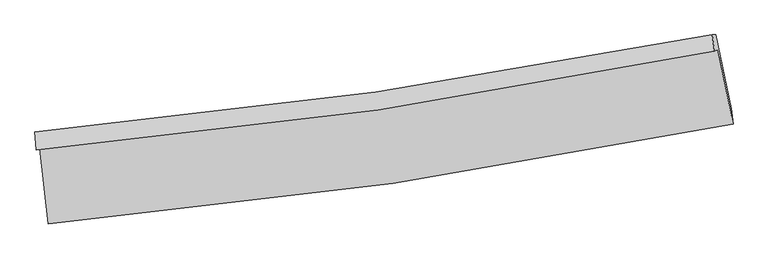
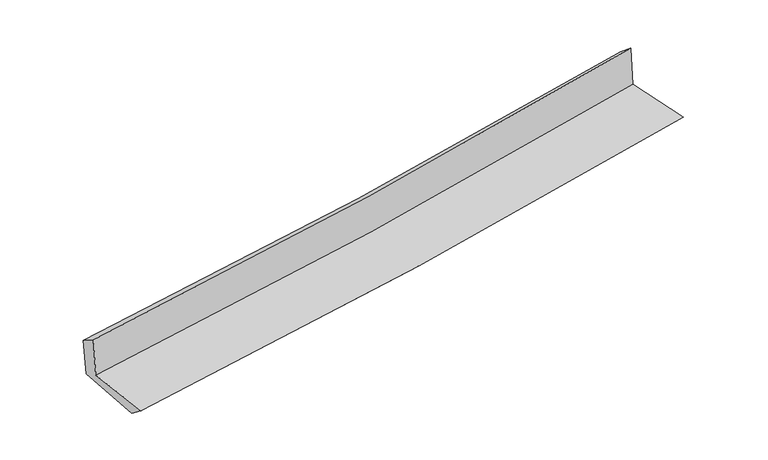
"""IFC4 building model written with IfcOpenShell, lengths in millimetres: proxy geometry."""

import ifcopenshell
import ifcopenshell.guid

model = None  # the IFC model being written
_history = None  # IfcOwnerHistory: only IFC2X3 demands one
_inside = {}  # id of a spatial element -> (the spatial element, [elements in it])
_under = {}  # id of a project, library or spatial element -> (it, [spatial elements below it])
_declared = {}  # id of a project -> (the project, [libraries it declares])
_typed = {}  # id of a type object -> (the type object, [elements of that type])
_made_of = {}  # id of a material, layer set ... -> (it, [elements and type objects made of it])


def new_model(schema):
    """Start an empty IFC model of exactly this schema.

    Asked for "IFC4X3", IfcOpenShell would pick the latest addendum, in which some entities
    have other attributes; the version numbers below select the first issue.
    IFC2X3 requires an IfcOwnerHistory on every rooted entity: one is made here for all.
    """
    global model, _history
    if schema == "IFC4X3":
        model = ifcopenshell.file(schema_version=(4, 3, 0, 0))
    else:
        model = ifcopenshell.file(schema=schema)
    _inside.clear()
    _under.clear()
    _declared.clear()
    _typed.clear()
    _made_of.clear()
    _history = None
    if model.schema == "IFC2X3":
        org = make("IfcOrganization", Name="unknown")
        user = make(
            "IfcPersonAndOrganization",
            ThePerson=make("IfcPerson", FamilyName="unknown"),
            TheOrganization=org,
        )
        app = make(
            "IfcApplication",
            ApplicationDeveloper=org,
            Version="unknown",
            ApplicationFullName="unknown",
            ApplicationIdentifier="unknown",
        )
        _history = make(
            "IfcOwnerHistory",
            OwningUser=user,
            OwningApplication=app,
            ChangeAction="ADDED",
            CreationDate=0,
        )
    return model


def make(cls, **values):
    """One entity of the class cls with the attributes given. An attribute that is None is left unset."""
    return model.create_entity(
        cls, **{name: value for name, value in values.items() if value is not None}
    )


def rooted(cls, **values):
    """An entity with a GlobalId (a new one), such as an element, a storey or a relation."""
    return make(cls, GlobalId=ifcopenshell.guid.new(), OwnerHistory=_history, **values)


def si_unit(unit_type, name, prefix=None):
    """IfcSIUnit, for example si_unit("LENGTHUNIT", "METRE", prefix="MILLI")."""
    return make("IfcSIUnit", UnitType=unit_type, Prefix=prefix, Name=name)


def assignment(units):
    """IfcUnitAssignment: the units of a project."""
    return None if units is None else make("IfcUnitAssignment", Units=units)


def point(xyz):
    """IfcCartesianPoint."""
    return None if xyz is None else make("IfcCartesianPoint", Coordinates=xyz)


def direction(xyz):
    """IfcDirection."""
    return None if xyz is None else make("IfcDirection", DirectionRatios=xyz)


def frame(location, z_axis=None, x_axis=None):
    """IfcAxis2Placement3D, a coordinate frame: its origin and axes. An axis left out is left unset."""
    return make(
        "IfcAxis2Placement3D",
        Location=point(location),
        Axis=direction(z_axis),
        RefDirection=direction(x_axis),
    )


def origin():
    """The frame at (0, 0, 0) with its axes left unset."""
    return frame((0.0, 0.0, 0.0))


def place(relative_to, where):
    """IfcLocalPlacement: puts the frame where relative to a parent placement (None: the world)."""
    return make(
        "IfcLocalPlacement", PlacementRelTo=relative_to, RelativePlacement=where
    )


def context(
    kind, dimensions, precision=None, world=None, true_north=None, identifier=None
):
    """IfcGeometricRepresentationContext, for example the 3D "Model" context."""
    return make(
        "IfcGeometricRepresentationContext",
        ContextIdentifier=identifier,
        ContextType=kind,
        CoordinateSpaceDimension=dimensions,
        Precision=precision,
        WorldCoordinateSystem=world,
        TrueNorth=true_north,
    )


def project(units=None, contexts=None):
    """IfcProject with its units and contexts."""
    return rooted(
        "IfcProject",
        Name="project",
        RepresentationContexts=contexts,
        UnitsInContext=assignment(units),
    )


def spatial(cls, under=None, at=None, **own):
    """A site, building, storey or space (cls), placed at a placement, below another one or the project."""
    s = rooted(cls, ObjectPlacement=at, **own)
    if under is not None:
        _under.setdefault(under.id(), (under, []))[1].append(s)
    return s


def shape(context_of_items, identifier, shape_type, items):
    """IfcShapeRepresentation: the items that make up one representation, for example the "Body"."""
    return make(
        "IfcShapeRepresentation",
        ContextOfItems=context_of_items,
        RepresentationIdentifier=identifier,
        RepresentationType=shape_type,
        Items=items,
    )


def source(mapping_origin, context_of_items, identifier, shape_type, items):
    """IfcRepresentationMap: a shape defined once, which mapped items show again and again."""
    return make(
        "IfcRepresentationMap",
        MappingOrigin=mapping_origin,
        MappedRepresentation=shape(context_of_items, identifier, shape_type, items),
    )


def transform(
    local_origin,
    x_axis=None,
    y_axis=None,
    z_axis=None,
    scale=None,
    scale2=None,
    scale3=None,
    uniform=True,
):
    """IfcCartesianTransformationOperator3D, or its non-uniform kind. x_axis, y_axis, z_axis: its Axis1, 2, 3."""
    if uniform:
        return make(
            "IfcCartesianTransformationOperator3D",
            Axis1=direction(x_axis),
            Axis2=direction(y_axis),
            LocalOrigin=point(local_origin),
            Scale=scale,
            Axis3=direction(z_axis),
        )
    return make(
        "IfcCartesianTransformationOperator3DnonUniform",
        Axis1=direction(x_axis),
        Axis2=direction(y_axis),
        LocalOrigin=point(local_origin),
        Scale=scale,
        Axis3=direction(z_axis),
        Scale2=scale2,
        Scale3=scale3,
    )


def mapped(mapping_source, mapping_target):
    """IfcMappedItem: shows the shape of a source again, moved by a transform."""
    return make(
        "IfcMappedItem", MappingSource=mapping_source, MappingTarget=mapping_target
    )


def made_of(thing, what):
    """Note that an element or type object is made of a material, layer set ...; save() writes the relation."""
    if what is not None:
        _made_of.setdefault(what.id(), (what, []))[1].append(thing)
    return thing


def element(
    cls,
    number,
    at=None,
    inside=None,
    cuts=None,
    type_object=None,
    material=None,
    context=None,
    identifier="Body",
    shape_type=None,
    held_by="IfcProductDefinitionShape",
    body=None,
    shapes=None,
    **own,
):
    """One element of the class cls, such as IfcWall. Its Tag is "e" and its number.

    at: its placement. inside: the storey or other place that contains it. cuts: it is an
    opening in that element (IfcRelVoidsElement). A single representation is given by context,
    identifier, shape_type and body (its items); several are given by shapes. held_by: the class
    of the entity that holds the representations. save() writes the other relations.
    """
    e = rooted(cls, Tag="e%d" % number, ObjectPlacement=at, **own)
    if body is not None:
        shapes = [shape(context, identifier, shape_type, body)]
    if shapes is not None:
        e.Representation = make(held_by, Representations=shapes)
    if inside is not None:
        _inside.setdefault(inside.id(), (inside, []))[1].append(e)
    if cuts is not None:
        rooted(
            "IfcRelVoidsElement", RelatingBuildingElement=cuts, RelatedOpeningElement=e
        )
    if type_object is not None:
        _typed.setdefault(type_object.id(), (type_object, []))[1].append(e)
    return made_of(e, material)


def aggregate(whole, parts):
    """IfcRelAggregates: a whole, such as a stair, and the parts it consists of."""
    return rooted("IfcRelAggregates", RelatingObject=whole, RelatedObjects=parts)


def save(model, path):
    """Write the relations noted so far, then the file.

    IfcRelAggregates (storeys below a building ...), IfcRelContainedInSpatialStructure (elements
    in a storey), IfcRelDefinesByType, IfcRelAssociatesMaterial and IfcRelDeclares: one each for
    every whole, place, type object, material and project.
    """
    for whole, parts in _under.values():
        aggregate(whole, parts)
    for where, things in _inside.values():
        rooted(
            "IfcRelContainedInSpatialStructure",
            RelatedElements=things,
            RelatingStructure=where,
        )
    for kind, things in _typed.values():
        rooted("IfcRelDefinesByType", RelatedObjects=things, RelatingType=kind)
    for what, things in _made_of.values():
        rooted("IfcRelAssociatesMaterial", RelatedObjects=things, RelatingMaterial=what)
    for by, libraries in _declared.values():
        rooted("IfcRelDeclares", RelatingContext=by, RelatedDefinitions=libraries)
    model.write(path)


def plane_surface(at):
    """IfcPlane: the flat surface through the origin of the frame at, square to its z axis."""
    return make("IfcPlane", Position=at)


def spline_curve(degree, points, multiplicities, knots, weights=None):
    """IfcBSplineCurveWithKnots; with weights, IfcRationalBSplineCurveWithKnots."""
    own = dict(
        Degree=degree,
        ControlPointsList=[point(p) for p in points],
        CurveForm="UNSPECIFIED",
        ClosedCurve=False,
        SelfIntersect=False,
        KnotMultiplicities=multiplicities,
        Knots=knots,
        KnotSpec="UNSPECIFIED",
    )
    if weights is None:
        return make("IfcBSplineCurveWithKnots", **own)
    return make("IfcRationalBSplineCurveWithKnots", WeightsData=weights, **own)


def spline_surface(u_degree, v_degree, points, u_multiplicities, v_multiplicities, u_knots, v_knots, weights=None):
    """IfcBSplineSurfaceWithKnots; with weights, IfcRationalBSplineSurfaceWithKnots. points: one row for each step in u."""
    own = dict(
        UDegree=u_degree,
        VDegree=v_degree,
        ControlPointsList=[[point(p) for p in row] for row in points],
        SurfaceForm="UNSPECIFIED",
        UClosed=False,
        VClosed=False,
        SelfIntersect=False,
        UMultiplicities=u_multiplicities,
        VMultiplicities=v_multiplicities,
        UKnots=u_knots,
        VKnots=v_knots,
        KnotSpec="UNSPECIFIED",
    )
    if weights is None:
        return make("IfcBSplineSurfaceWithKnots", **own)
    return make("IfcRationalBSplineSurfaceWithKnots", WeightsData=weights, **own)


def advanced_brep(points, edges, surfaces, faces):
    """IfcAdvancedBrep: a solid bounded by faces that lie on surfaces and meet in shared edges.

    An edge is (start, end): straight between two places in points (the first is 0);
    or (start, end, curve); or (start, end, curve, False) where it runs against its curve.
    A face is (place in surfaces, loops), or (place, loops, False) where it looks against
    its surface's normal. A loop lists edges by number (the first is 1), with a minus sign
    where the edge is run from its end to its start. The first loop is the outer one.
    """
    corners = [point(p) for p in points]
    vertices = [make("IfcVertexPoint", VertexGeometry=c) for c in corners]
    made = []
    for start, end, *more in edges:
        made.append(
            make(
                "IfcEdgeCurve",
                EdgeStart=vertices[start],
                EdgeEnd=vertices[end],
                EdgeGeometry=more[0] if more else make("IfcPolyline", Points=[corners[start], corners[end]]),
                SameSense=more[1] if len(more) > 1 else True,
            )
        )
    hull = []
    for where, loops, *sense in faces:
        bounds = []
        for j, loop in enumerate(loops):
            ring = [make("IfcOrientedEdge", EdgeElement=made[abs(k) - 1], Orientation=k > 0) for k in loop]
            bounds.append(
                make(
                    "IfcFaceOuterBound" if j == 0 else "IfcFaceBound",
                    Bound=make("IfcEdgeLoop", EdgeList=ring),
                    Orientation=True,
                )
            )
        hull.append(make("IfcAdvancedFace", Bounds=bounds, FaceSurface=surfaces[where], SameSense=sense[0] if sense else True))
    return make("IfcAdvancedBrep", Outer=make("IfcClosedShell", CfsFaces=hull))


def generic_models_bc09e8cd(model_context):
    return source(origin(), model_context, "Body", "AdvancedBrep", [
        advanced_brep(
        [(-2996.2778976, -1904.2475939, 1624.2192611), (-2921.8726907, -2564.2918258, 1619.9745107), (3065.661271, -1693.261852, 2134.1223174), (2933.3599231, -1037.9419465, 2133.6934162), (-3026.6064949, -1918.3507746, 2021.6165758), (2902.3632707, -1052.3557813, 2539.8442953), (-3036.4985907, -1760.0699998, 1923.6247005), (2883.5443513, -910.3510682, 2421.7639442), (-3006.8536325, -1761.6395768, 1556.6419324), (2915.8543392, -911.010506, 2036.3426343), (-2928.768686, -2421.1091781, 1505.7694784), (3049.1284247, -1557.046663, 2002.66324)],
        [
            (0, 1),
            (1, 2, spline_curve(3, [(-2921.8726907, -2564.2918258, 1619.9745107), (-1913.581307182, -2474.623942457, 1720.076143977), (-908.979748888, -2356.90070178, 1813.080559929), (1086.820630594, -2066.220741009, 1984.378002575), (2078.063726462, -1893.600657629, 2062.756188942), (3065.661271, -1693.261852, 2134.1223174)], [4, 2, 4], [0.0, 9.948405055073557, 19.8369445953177])),
            (2, 3),
            (3, 0, spline_curve(3, [(2933.3599231, -1037.9419465, 2133.6934162), (1955.216820776, -1239.109744327, 2063.074390967), (973.510814049, -1411.754253744, 1985.458007293), (-1002.991855775, -1700.869209849, 1815.718269979), (-1997.831789327, -1816.993249666, 1723.509934885), (-2996.2778976, -1904.2475939, 1624.2192611)], [4, 2, 4], [0.0, 9.888539540244143, 19.8369445953177])),
            (4, 0),
            (3, 5),
            (5, 4, spline_curve(3, [(2902.3632707, -1052.3557813, 2539.8442953), (1924.630658773, -1253.332695707, 2463.846591474), (943.185852234, -1425.855743925, 2382.807685117), (-1033.092319251, -1714.866305416, 2210.126336124), (-2027.970768234, -1831.008255395, 2118.42266902), (-3026.6064949, -1918.3507746, 2021.6165758)], [4, 2, 4], [0.0, 9.841086363646111, 19.741750959167895])),
            (6, 4),
            (5, 7),
            (7, 6, spline_curve(3, [(2883.5443513, -910.3510682, 2421.7639442), (1906.124874286, -1103.585633987, 2349.627929178), (925.576526882, -1270.877660299, 2272.189644897), (-1047.733121453, -1554.432369136, 2106.207624914), (-2040.532421093, -1670.379986495, 2017.599494311), (-3036.4985907, -1760.0699998, 1923.6247005)], [4, 2, 4], [0.0, 9.830140267584031, 19.719792499050016])),
            (8, 6),
            (7, 9),
            (9, 8, spline_curve(3, [(2915.8543392, -911.010506, 2036.3426343), (1938.743457306, -1104.174114605, 1957.810448377), (958.129125542, -1271.505943145, 1878.691712018), (-1016.064316697, -1555.362686192, 1718.798601791), (-2009.685975324, -1671.57388103, 1638.017103659), (-3006.8536325, -1761.6395768, 1556.6419324)], [4, 2, 4], [0.0, 9.820210565727873, 19.699872980624974])),
            (10, 8),
            (9, 11),
            (11, 10, spline_curve(3, [(3049.1284247, -1557.046663, 2002.66324), (2063.410560621, -1754.554670397, 1925.279884137), (1073.908372232, -1925.177961224, 1845.313176137), (-918.678038355, -2213.525306611, 1679.713296327), (-1921.808220529, -2330.922854164, 1594.048750501), (-2928.768686, -2421.1091781, 1505.7694784)], [4, 2, 4], [0.0, 9.868566486247524, 19.796877569856786])),
            (1, 10),
            (11, 2),
        ],
        [
            spline_surface(3, 3, [[(-2996.2778976, -1904.2475939, 1624.2192611), (-1997.831789225, -1816.993249606, 1723.509935026), (-1002.991855761, -1700.869209917, 1815.718269897), (973.510814035, -1411.754253676, 1985.458007375), (1955.216820789, -1239.109744245, 2063.074390859), (2933.3599231, -1037.9419465, 2133.6934162)], [(-2971.476161972, -2124.262337866, 1622.804344303), (-1969.748295193, -2036.203480606, 1722.365337963), (-971.65448685, -1919.546373832, 1814.839033228), (1011.280752928, -1629.909749516, 1985.098005823), (1996.165789361, -1457.273382019, 2062.968323539), (2977.460372398, -1256.381915014, 2133.836383277)], [(-2946.674426328, -2344.277081834, 1621.389427497), (-1941.664801145, -2255.413711608, 1721.220740891), (-940.31711793, -2138.223537712, 1813.959796505), (1049.050691831, -1848.065245321, 1984.738004219), (2037.114757937, -1675.437019752, 2062.862256187), (3021.560821702, -1474.821883486, 2133.979350323)], [(-2921.8726907, -2564.2918258, 1619.9745107), (-1913.581307113, -2474.623942607, 1720.076143828), (-908.979749019, -2356.900701627, 1813.080559836), (1086.820630724, -2066.220741161, 1984.378002667), (2078.063726509, -1893.600657526, 2062.756188867), (3065.661271, -1693.261852, 2134.1223174)]], [4, 4], [4, 2, 4], [0.0, 2.176496559482812], [0.0, 9.948405055073557, 19.8369445953177]),
            spline_surface(3, 3, [[(-3026.6064949, -1918.3507746, 2021.6165758), (-2027.970768121, -1831.008255354, 2118.422669121), (-1033.092319338, -1714.866305557, 2210.126336026), (943.18585232, -1425.855743785, 2382.807685215), (1924.630658762, -1253.332695839, 2463.846591534), (2902.3632707, -1052.3557813, 2539.8442953)], [(-3016.496962482, -1913.649714371, 1889.150804213), (-2017.924441837, -1826.336586775, 1986.785091069), (-1023.058831484, -1710.200607011, 2078.656980646), (953.294172886, -1421.155247083, 2250.357792598), (1934.826046109, -1248.591711984, 2330.25585799), (2912.695488171, -1047.55116971, 2404.460668948)], [(-3006.387430018, -1908.948654129, 1756.685032687), (-2007.878115509, -1821.664918184, 1855.147513078), (-1013.025343614, -1705.534908463, 1947.187625276), (963.402493469, -1416.454750378, 2117.907899991), (1945.021433442, -1243.8507281, 2196.665124403), (2923.027705629, -1042.74655809, 2269.077042552)], [(-2996.2778976, -1904.2475939, 1624.2192611), (-1997.831789225, -1816.993249606, 1723.509935026), (-1002.991855761, -1700.869209917, 1815.718269897), (973.510814035, -1411.754253676, 1985.458007375), (1955.216820789, -1239.109744245, 2063.074390859), (2933.3599231, -1037.9419465, 2133.6934162)]], [4, 4], [4, 2, 4], [0.0, 1.303378370758859], [0.0, 9.900664595521784, 19.741750959167895]),
            spline_surface(3, 3, [[(-3036.4985907, -1760.0699998, 1923.6247005), (-2040.532421052, -1670.379986352, 2017.599494416), (-1047.733121344, -1554.432368979, 2106.207624889), (925.576526774, -1270.877660454, 2272.189644922), (1906.124874367, -1103.585633981, 2349.627929031), (2883.5443513, -910.3510682, 2421.7639442)], [(-3033.201225423, -1812.830258056, 1956.28865894), (-2036.345203397, -1723.922742675, 2051.207219325), (-1042.852853986, -1607.910347807, 2140.847195275), (931.446301979, -1322.537021533, 2309.062325027), (1912.293469147, -1153.501321255, 2387.700816518), (2889.817324415, -957.685972555, 2461.124061219)], [(-3029.903860177, -1865.590516344, 1988.95261736), (-2032.157985775, -1777.46549903, 2084.814944212), (-1037.972586696, -1661.38832673, 2175.486765639), (937.316077115, -1374.196382707, 2345.93500511), (1918.462063982, -1203.417008565, 2425.773704047), (2896.090297585, -1005.020876945, 2500.484178281)], [(-3026.6064949, -1918.3507746, 2021.6165758), (-2027.970768121, -1831.008255354, 2118.422669121), (-1033.092319338, -1714.866305557, 2210.126336026), (943.18585232, -1425.855743785, 2382.807685215), (1924.630658762, -1253.332695839, 2463.846591534), (2902.3632707, -1052.3557813, 2539.8442953)]], [4, 4], [4, 2, 4], [0.0, 0.6279895622051012], [0.0, 9.889652231465984, 19.719792499050016]),
            spline_surface(3, 3, [[(-3006.8536325, -1761.6395768, 1556.6419324), (-2009.685975437, -1671.573881169, 1638.017103818), (-1016.06431666, -1555.362686218, 1718.798601671), (958.129125506, -1271.505943119, 1878.691712137), (1938.74345732, -1104.174114454, 1957.81044829), (2915.8543392, -911.010506, 2036.3426343)], [(-3016.735285253, -1761.116384476, 1678.96952177), (-2019.968123995, -1671.175916239, 1764.544567354), (-1026.620584889, -1555.052580491, 1847.93494272), (947.278259261, -1271.296515584, 2009.857689709), (1927.870596346, -1103.977954286, 2088.416275218), (2905.084343243, -910.79069339, 2164.816404281)], [(-3026.616937947, -1760.593192124, 1801.29711113), (-2030.250272494, -1670.777951282, 1891.07203088), (-1037.176853116, -1554.742474706, 1977.07128384), (936.427393019, -1271.087087989, 2141.023667351), (1916.997735341, -1103.781794148, 2219.022102103), (2894.314347257, -910.57088081, 2293.290174219)], [(-3036.4985907, -1760.0699998, 1923.6247005), (-2040.532421052, -1670.379986352, 2017.599494416), (-1047.733121344, -1554.432368979, 2106.207624889), (925.576526774, -1270.877660454, 2272.189644922), (1906.124874367, -1103.585633981, 2349.627929031), (2883.5443513, -910.3510682, 2421.7639442)]], [4, 4], [4, 2, 4], [0.0, 1.2852813371595357], [0.0, 9.879662414897101, 19.699872980624974]),
            spline_surface(3, 3, [[(-2928.768686, -2421.1091781, 1505.7694784), (-1921.808220486, -2330.922854324, 1594.048750339), (-918.678038418, -2213.525306664, 1679.713296331), (1073.908372295, -1925.177961172, 1845.313176133), (2063.410560457, -1754.554670473, 1925.279884013), (3049.1284247, -1557.046663, 2002.66324)], [(-2954.797001491, -2201.285977677, 1522.726963079), (-1951.100805461, -2111.139863283, 1608.704868178), (-951.140131162, -1994.137766521, 1692.741731443), (1035.315290036, -1707.287288494, 1856.4393548), (2021.854859405, -1537.761151823, 1936.123405435), (3004.703729527, -1341.701277356, 2013.889704763)], [(-2980.825317009, -1981.462777223, 1539.684447721), (-1980.393390462, -1891.35687221, 1623.36098598), (-983.602223917, -1774.750226361, 1705.770166559), (996.722207765, -1489.396615798, 1867.565533471), (1980.299158372, -1320.967633104, 1946.966926868), (2960.279034373, -1126.355891644, 2025.116169537)], [(-3006.8536325, -1761.6395768, 1556.6419324), (-2009.685975437, -1671.573881169, 1638.017103818), (-1016.06431666, -1555.362686218, 1718.798601671), (958.129125506, -1271.505943119, 1878.691712137), (1938.74345732, -1104.174114454, 1957.81044829), (2915.8543392, -911.010506, 2036.3426343)]], [4, 4], [4, 2, 4], [0.0, 2.18344104775314], [0.0, 9.928311083609263, 19.796877569856786]),
            spline_surface(3, 3, [[(-2921.8726907, -2564.2918258, 1619.9745107), (-1913.581307113, -2474.623942607, 1720.076143828), (-908.979749019, -2356.900701627, 1813.080559836), (1086.820630724, -2066.220741161, 1984.378002667), (2078.063726509, -1893.600657526, 2062.756188867), (3065.661271, -1693.261852, 2134.1223174)], [(-2924.17135578, -2516.564276554, 1581.906166594), (-1916.323611551, -2426.723579834, 1678.06701266), (-912.212512169, -2309.1089033, 1768.624805337), (1082.516544564, -2019.206481158, 1938.023060492), (2073.179337836, -1847.251995151, 2016.930753894), (3060.150322245, -1647.856788976, 2090.302624912)], [(-2926.47002092, -2468.836727346, 1543.837822506), (-1919.065916048, -2378.823217098, 1636.057881508), (-915.445275268, -2261.317104991, 1724.16905083), (1078.212458455, -1972.192221174, 1891.668118309), (2068.294949129, -1800.903332848, 1971.105318986), (3054.639373455, -1602.451726024, 2046.482932488)], [(-2928.768686, -2421.1091781, 1505.7694784), (-1921.808220486, -2330.922854324, 1594.048750339), (-918.678038418, -2213.525306664, 1679.713296331), (1073.908372295, -1925.177961172, 1845.313176133), (2063.410560457, -1754.554670473, 1925.279884013), (3049.1284247, -1557.046663, 2002.66324)]], [4, 4], [4, 2, 4], [0.0, 0.6471085898806113], [0.0, 9.985992703778605, 19.91189370532102]),
            plane_surface(frame((2958.3185967, -1193.6613028, 2211.4049746), z_axis=(0.9769470761492021, 0.19728745485507684, 0.081560226583374), x_axis=(-0.08353717237705523, 0.0017049703592611374, 0.9965032031595886))),
            plane_surface(frame((-2986.1463321, -2054.9514915, 1708.6410765), z_axis=(-0.9906140699262853, -0.11115798864557357, -0.07954662798856565), x_axis=(-0.11201583085985767, 0.9936858741015334, 0.0063904027922589215))),
        ],
        [
            (0, [[1, 2, 3, 4]]),
            (1, [[5, -4, 6, 7]]),
            (2, [[8, -7, 9, 10]]),
            (3, [[11, -10, 12, 13]]),
            (4, [[14, -13, 15, 16]]),
            (5, [[17, -16, 18, -2]]),
            (6, [[-12, -9, -6, -3, -18, -15]]),
            (7, [[-1, -5, -8, -11, -14, -17]]),
        ],
    ),
    ])


if __name__ == "__main__":
    model = new_model("IFC4")
    model_context = context("Model", 3, world=origin())
    ifc_project = project(units=[si_unit("LENGTHUNIT", "METRE", prefix="MILLI")], contexts=[model_context])
    site = spatial("IfcSite", under=ifc_project)
    building = spatial("IfcBuilding", under=site)
    placement = place(None, origin())
    generic_models_shape = generic_models_bc09e8cd(model_context)
    element("IfcBuildingElementProxy", 1, Name="Generic Models", at=placement, inside=building, context=model_context, shape_type="MappedRepresentation", body=[
        mapped(generic_models_shape, transform((0.0, 0.0, 0.0), x_axis=(1.0, 0.0, 0.0), y_axis=(0.0, 1.0, 0.0), z_axis=(0.0, 0.0, 1.0))),
    ])
    save(model, "model.ifc")
